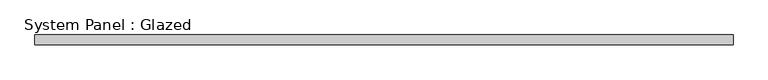
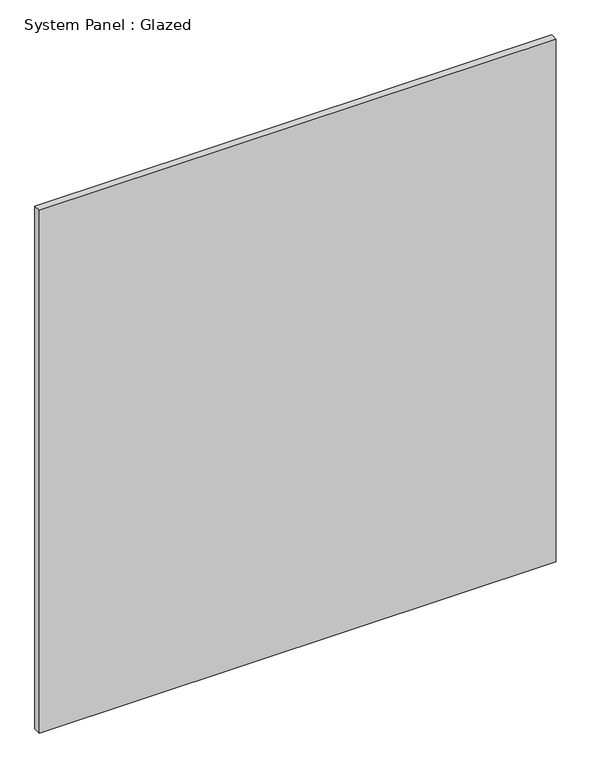
"""IFC4 building model written with IfcOpenShell, lengths in millimetres: plate geometry, System Panel : Glazed."""

from ifc_helpers import new_model, si_unit, origin, origin_with_axes, place, context, project, spatial, polyline, outline, extrude, source, transform, mapped, element, save


def system_panel_glazed_83193ef0(model_context):
    return source(origin(), model_context, "Body", "SweptSolid", [
        extrude(outline(polyline([(882.65, -44.45), (-882.65, -44.45), (-882.65, -19.05), (882.65, -19.05), (882.65, -44.45)])), origin_with_axes(), (0.0, 0.0, 1.0), 1885.95),
    ])


if __name__ == "__main__":
    model = new_model("IFC4")
    model_context = context("Model", 3, world=origin())
    ifc_project = project(units=[si_unit("LENGTHUNIT", "METRE", prefix="MILLI")], contexts=[model_context])
    site = spatial("IfcSite", under=ifc_project)
    building = spatial("IfcBuilding", under=site)
    placement = place(None, origin())
    system_panel_glazed_shape = system_panel_glazed_83193ef0(model_context)
    element("IfcPlate", 1, ObjectType="System Panel : Glazed", at=placement, inside=building, context=model_context, shape_type="MappedRepresentation", body=[
        mapped(system_panel_glazed_shape, transform((0.0, 0.0, 0.0), x_axis=(1.0, 0.0, 0.0), y_axis=(0.0, 1.0, 0.0), z_axis=(0.0, 0.0, 1.0))),
    ])
    save(model, "model.ifc")
